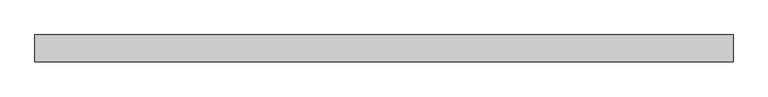
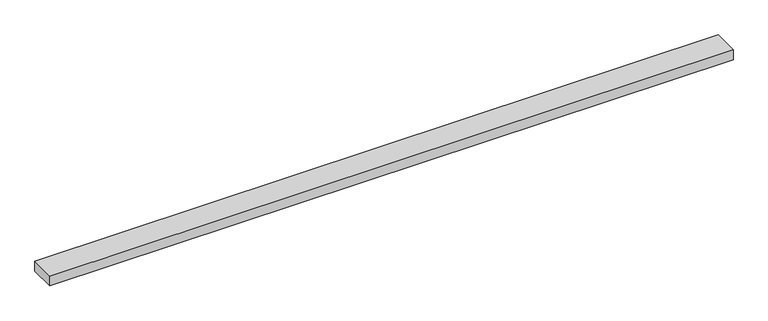
"""IFC4 building model written with IfcOpenShell, lengths in millimetres: beam geometry."""

from ifc_helpers import new_model, si_unit, frame, origin, place, context, project, spatial, polyline, outline, extrude, source, transform, mapped, element, save


def beam_de563343(model_context):
    return source(origin(), model_context, "Body", "SweptSolid", [
        extrude(outline(polyline([(-915.0, 35.0), (915.0, 35.0), (915.0, -35.0), (-915.0, -35.0), (-915.0, 35.0)])), frame((0.0, 0.0, -14.0), z_axis=(0.0, 0.0, 1.0), x_axis=(1.0, 0.0, 0.0)), (0.0, 0.0, 1.0), 28.0),
    ])


if __name__ == "__main__":
    model = new_model("IFC4")
    model_context = context("Model", 3, world=origin())
    ifc_project = project(units=[si_unit("LENGTHUNIT", "METRE", prefix="MILLI")], contexts=[model_context])
    site = spatial("IfcSite", under=ifc_project)
    building = spatial("IfcBuilding", under=site)
    placement = place(None, origin())
    beam_shape = beam_de563343(model_context)
    element("IfcBeam", 1, at=placement, inside=building, context=model_context, shape_type="MappedRepresentation", body=[
        mapped(beam_shape, transform((0.0, 0.0, 0.0), x_axis=(1.0, 0.0, 0.0), y_axis=(0.0, 1.0, 0.0), z_axis=(0.0, 0.0, 1.0))),
    ])
    save(model, "model.ifc")
